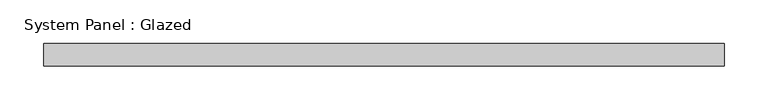
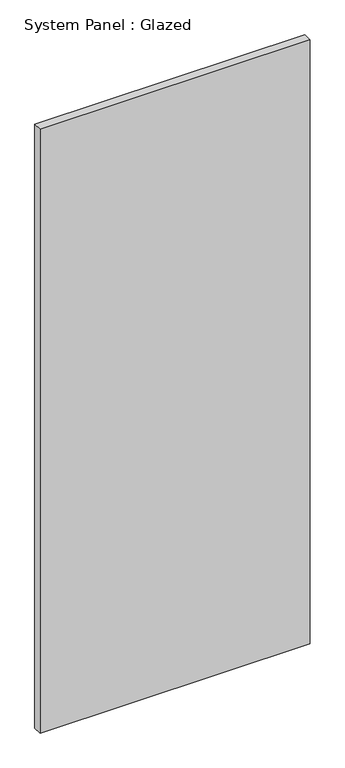
"""IFC4 building model written with IfcOpenShell, lengths in millimetres: plate geometry, System Panel : Glazed."""

from ifc_helpers import new_model, si_unit, origin, origin_with_axes, place, context, project, spatial, polyline, outline, extrude, source, transform, mapped, element, save


def system_panel_glazed_82665ca6(model_context):
    return source(origin(), model_context, "Body", "SweptSolid", [
        extrude(outline(polyline([(386.9958075, 19.05), (-386.9958075, 19.05), (-386.9958075, 44.45), (386.9958075, 44.45), (386.9958075, 19.05)])), origin_with_axes(), (0.0, 0.0, 1.0), 1828.8),
    ])


if __name__ == "__main__":
    model = new_model("IFC4")
    model_context = context("Model", 3, world=origin())
    ifc_project = project(units=[si_unit("LENGTHUNIT", "METRE", prefix="MILLI")], contexts=[model_context])
    site = spatial("IfcSite", under=ifc_project)
    building = spatial("IfcBuilding", under=site)
    placement = place(None, origin())
    system_panel_glazed_shape = system_panel_glazed_82665ca6(model_context)
    element("IfcPlate", 1, ObjectType="System Panel : Glazed", at=placement, inside=building, context=model_context, shape_type="MappedRepresentation", body=[
        mapped(system_panel_glazed_shape, transform((0.0, 0.0, 0.0), x_axis=(1.0, 0.0, 0.0), y_axis=(0.0, 1.0, 0.0), z_axis=(0.0, 0.0, 1.0))),
    ])
    save(model, "model.ifc")
